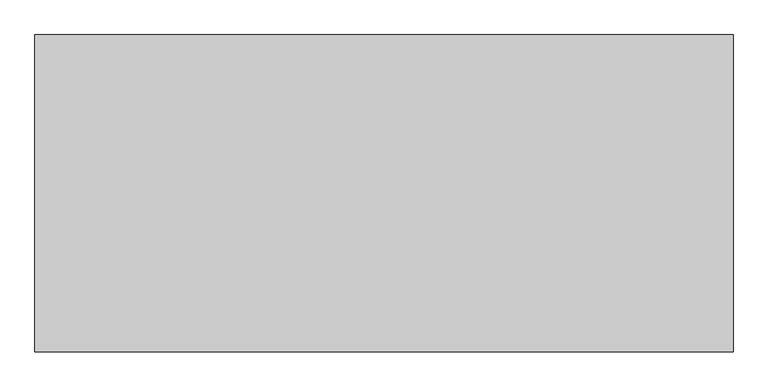
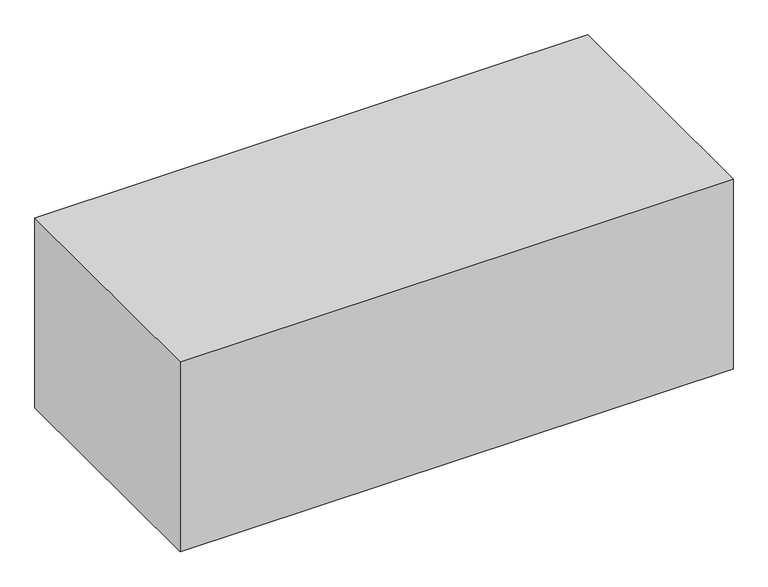
"""IFC4 building model written with IfcOpenShell, lengths in millimetres: geographic element geometry."""

from ifc_helpers import new_model, si_unit, origin, origin_with_axes, place, context, project, spatial, polyline, outline, extrude, source, transform, mapped, element, save


def geographic_element_fa39f05c(model_context):
    return source(origin(), model_context, "Body", "SweptSolid", [
        extrude(outline(polyline([(0.0, 0.0), (0.0, 500.0), (1100.0, 500.0), (1100.0, 0.0), (0.0, 0.0)])), origin_with_axes(), (0.0, 0.0, 1.0), 400.0),
    ])


if __name__ == "__main__":
    model = new_model("IFC4")
    model_context = context("Model", 3, world=origin())
    ifc_project = project(units=[si_unit("LENGTHUNIT", "METRE", prefix="MILLI")], contexts=[model_context])
    site = spatial("IfcSite", under=ifc_project)
    building = spatial("IfcBuilding", under=site)
    placement = place(None, origin())
    geographic_element_shape = geographic_element_fa39f05c(model_context)
    element("IfcGeographicElement", 1, at=placement, inside=building, context=model_context, shape_type="MappedRepresentation", body=[
        mapped(geographic_element_shape, transform((0.0, 0.0, 0.0), x_axis=(1.0, 0.0, 0.0), y_axis=(0.0, 1.0, 0.0), z_axis=(0.0, 0.0, 1.0))),
    ])
    save(model, "model.ifc")
